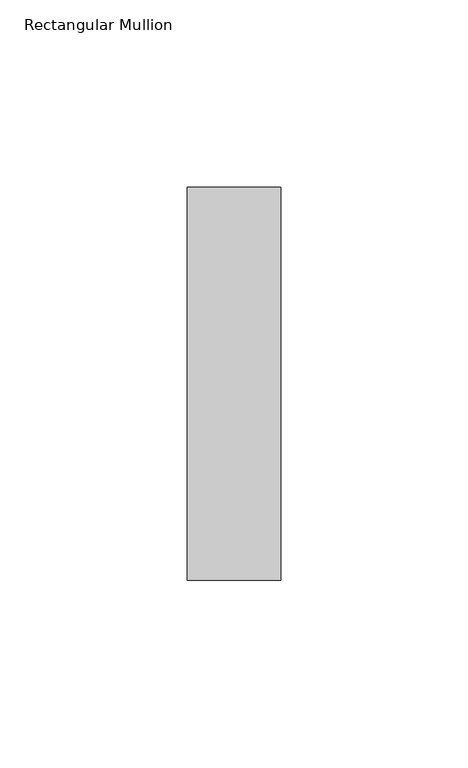
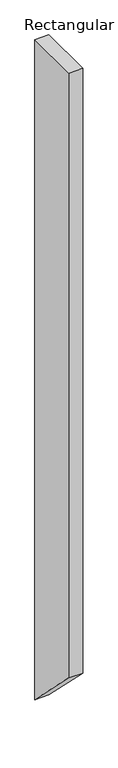
"""IFC4 building model written with IfcOpenShell, lengths in millimetres: member geometry, Rectangular Mullion."""

from ifc_helpers import new_model, si_unit, frame, origin, place, context, project, spatial, polyline, outline, extrude, source, transform, mapped, element, save


def rectangular_mullion_aa825e12(model_context):
    return source(origin(), model_context, "Body", "SweptSolid", [
        extrude(outline(polyline([(-52.5, 0.0), (52.5, 0.0), (52.5, -1252.5), (-52.5, -1147.5), (-52.5, 0.0)])), frame((-25.0, 0.0, 0.0), z_axis=(1.0, 0.0, 0.0), x_axis=(0.0, 1.0, 0.0)), (0.0, 0.0, 1.0), 25.0),
    ])


if __name__ == "__main__":
    model = new_model("IFC4")
    model_context = context("Model", 3, world=origin())
    ifc_project = project(units=[si_unit("LENGTHUNIT", "METRE", prefix="MILLI")], contexts=[model_context])
    site = spatial("IfcSite", under=ifc_project)
    building = spatial("IfcBuilding", under=site)
    placement = place(None, origin())
    rectangular_mullion_shape = rectangular_mullion_aa825e12(model_context)
    element("IfcMember", 1, ObjectType="Rectangular Mullion", at=placement, inside=building, context=model_context, shape_type="MappedRepresentation", body=[
        mapped(rectangular_mullion_shape, transform((0.0, 0.0, 0.0), x_axis=(1.0, 0.0, 0.0), y_axis=(0.0, 1.0, 0.0), z_axis=(0.0, 0.0, 1.0))),
    ])
    save(model, "model.ifc")
